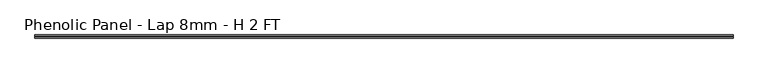
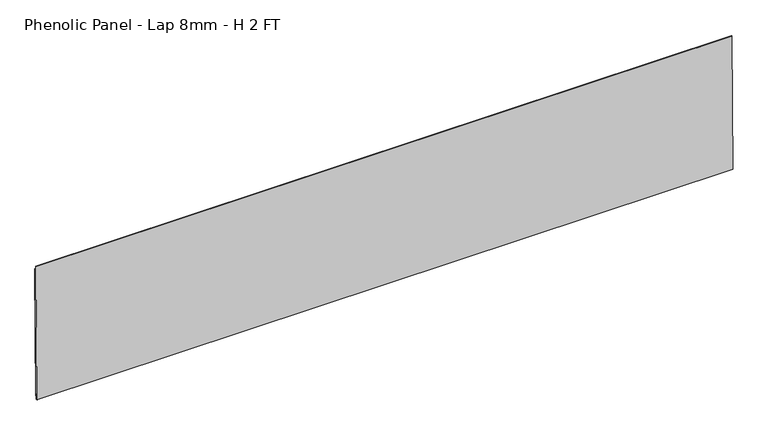
"""IFC4 building model written with IfcOpenShell, lengths in millimetres: proxy geometry, Phenolic Panel - Lap 8mm - H 2 FT."""

from ifc_helpers import new_model, si_unit, frame, origin, place, context, project, spatial, polyline, outline, extrude, source, transform, mapped, element, save


def phenolic_panel_lap_8mm_h_2_ft_3e94ff30(model_context):
    return source(origin(), model_context, "Body", "SweptSolid", [
        extrude(outline(polyline([(2.7732555, 593.6735917), (-2.7736212, 15.850215), (-5.1547614, 15.873073), (-5.0785681, 23.8102073), (-7.6581367, 23.8349701), (-7.8867168, 0.0235672), (-9.8571575, 0.0424827), (-10.8534851, 1.0581244), (-5.0211492, 608.618069), (-4.0055075, 609.6143966), (-2.6240021, 609.6011347), (-2.7763888, 593.7268661), (2.7732555, 593.6735917)])), frame((-1809.75, 0.0, 0.0), z_axis=(1.0, 0.0, 0.0), x_axis=(0.0, 1.0, 0.0)), (0.0, 0.0, 1.0), 3028.95),
    ])


if __name__ == "__main__":
    model = new_model("IFC4")
    model_context = context("Model", 3, world=origin())
    ifc_project = project(units=[si_unit("LENGTHUNIT", "METRE", prefix="MILLI")], contexts=[model_context])
    site = spatial("IfcSite", under=ifc_project)
    building = spatial("IfcBuilding", under=site)
    placement = place(None, origin())
    phenolic_panel_lap_8mm_h_2_ft_shape = phenolic_panel_lap_8mm_h_2_ft_3e94ff30(model_context)
    element("IfcBuildingElementProxy", 1, Name="Phenolic Panel - Lap 8mm - H 2 FT", ObjectType="Phenolic Panel - Lap 8mm - H 2 FT", at=placement, inside=building, context=model_context, shape_type="MappedRepresentation", body=[
        mapped(phenolic_panel_lap_8mm_h_2_ft_shape, transform((0.0, 0.0, 0.0), x_axis=(1.0, 0.0, 0.0), y_axis=(0.0, 1.0, 0.0), z_axis=(0.0, 0.0, 1.0))),
    ])
    save(model, "model.ifc")
